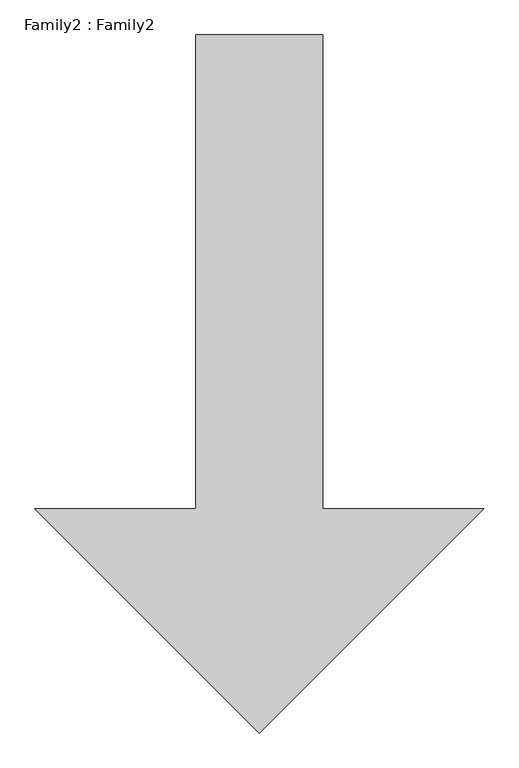
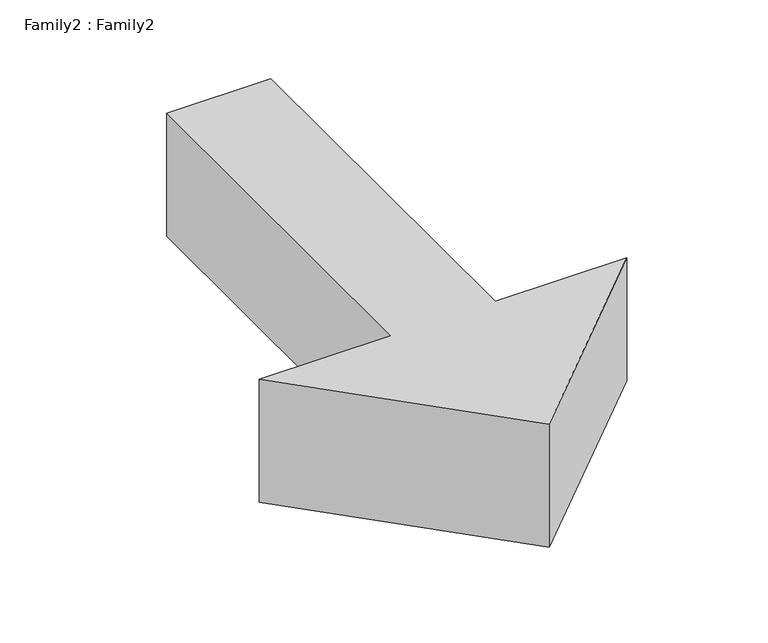
"""IFC4 building model written with IfcOpenShell, lengths in millimetres: proxy geometry, Family2 : Family2."""

import ifcopenshell
import ifcopenshell.guid

model = None  # the IFC model being written
_history = None  # IfcOwnerHistory: only IFC2X3 demands one
_inside = {}  # id of a spatial element -> (the spatial element, [elements in it])
_under = {}  # id of a project, library or spatial element -> (it, [spatial elements below it])
_declared = {}  # id of a project -> (the project, [libraries it declares])
_typed = {}  # id of a type object -> (the type object, [elements of that type])
_made_of = {}  # id of a material, layer set ... -> (it, [elements and type objects made of it])


def new_model(schema):
    """Start an empty IFC model of exactly this schema.

    Asked for "IFC4X3", IfcOpenShell would pick the latest addendum, in which some entities
    have other attributes; the version numbers below select the first issue.
    IFC2X3 requires an IfcOwnerHistory on every rooted entity: one is made here for all.
    """
    global model, _history
    if schema == "IFC4X3":
        model = ifcopenshell.file(schema_version=(4, 3, 0, 0))
    else:
        model = ifcopenshell.file(schema=schema)
    _inside.clear()
    _under.clear()
    _declared.clear()
    _typed.clear()
    _made_of.clear()
    _history = None
    if model.schema == "IFC2X3":
        org = make("IfcOrganization", Name="unknown")
        user = make(
            "IfcPersonAndOrganization",
            ThePerson=make("IfcPerson", FamilyName="unknown"),
            TheOrganization=org,
        )
        app = make(
            "IfcApplication",
            ApplicationDeveloper=org,
            Version="unknown",
            ApplicationFullName="unknown",
            ApplicationIdentifier="unknown",
        )
        _history = make(
            "IfcOwnerHistory",
            OwningUser=user,
            OwningApplication=app,
            ChangeAction="ADDED",
            CreationDate=0,
        )
    return model


def make(cls, **values):
    """One entity of the class cls with the attributes given. An attribute that is None is left unset."""
    return model.create_entity(
        cls, **{name: value for name, value in values.items() if value is not None}
    )


def rooted(cls, **values):
    """An entity with a GlobalId (a new one), such as an element, a storey or a relation."""
    return make(cls, GlobalId=ifcopenshell.guid.new(), OwnerHistory=_history, **values)


def si_unit(unit_type, name, prefix=None):
    """IfcSIUnit, for example si_unit("LENGTHUNIT", "METRE", prefix="MILLI")."""
    return make("IfcSIUnit", UnitType=unit_type, Prefix=prefix, Name=name)


def assignment(units):
    """IfcUnitAssignment: the units of a project."""
    return None if units is None else make("IfcUnitAssignment", Units=units)


def point(xyz):
    """IfcCartesianPoint."""
    return None if xyz is None else make("IfcCartesianPoint", Coordinates=xyz)


def direction(xyz):
    """IfcDirection."""
    return None if xyz is None else make("IfcDirection", DirectionRatios=xyz)


def frame(location, z_axis=None, x_axis=None):
    """IfcAxis2Placement3D, a coordinate frame: its origin and axes. An axis left out is left unset."""
    return make(
        "IfcAxis2Placement3D",
        Location=point(location),
        Axis=direction(z_axis),
        RefDirection=direction(x_axis),
    )


def origin():
    """The frame at (0, 0, 0) with its axes left unset."""
    return frame((0.0, 0.0, 0.0))


def origin_with_axes():
    """The frame at (0, 0, 0) with the z axis (0, 0, 1) and the x axis (1, 0, 0) written out."""
    return frame((0.0, 0.0, 0.0), z_axis=(0.0, 0.0, 1.0), x_axis=(1.0, 0.0, 0.0))


def place(relative_to, where):
    """IfcLocalPlacement: puts the frame where relative to a parent placement (None: the world)."""
    return make(
        "IfcLocalPlacement", PlacementRelTo=relative_to, RelativePlacement=where
    )


def context(
    kind, dimensions, precision=None, world=None, true_north=None, identifier=None
):
    """IfcGeometricRepresentationContext, for example the 3D "Model" context."""
    return make(
        "IfcGeometricRepresentationContext",
        ContextIdentifier=identifier,
        ContextType=kind,
        CoordinateSpaceDimension=dimensions,
        Precision=precision,
        WorldCoordinateSystem=world,
        TrueNorth=true_north,
    )


def project(units=None, contexts=None):
    """IfcProject with its units and contexts."""
    return rooted(
        "IfcProject",
        Name="project",
        RepresentationContexts=contexts,
        UnitsInContext=assignment(units),
    )


def spatial(cls, under=None, at=None, **own):
    """A site, building, storey or space (cls), placed at a placement, below another one or the project."""
    s = rooted(cls, ObjectPlacement=at, **own)
    if under is not None:
        _under.setdefault(under.id(), (under, []))[1].append(s)
    return s


def polyline(points):
    """IfcPolyline through the points."""
    return make("IfcPolyline", Points=[point(p) for p in points])


def outline(outer, holes=None, kind="AREA"):
    """IfcArbitraryClosedProfileDef: a profile drawn as a closed curve; with holes, ...WithVoids."""
    if holes is None:
        return make("IfcArbitraryClosedProfileDef", ProfileType=kind, OuterCurve=outer)
    return make(
        "IfcArbitraryProfileDefWithVoids",
        ProfileType=kind,
        OuterCurve=outer,
        InnerCurves=holes,
    )


def extrude(swept, where, along, depth):
    """IfcExtrudedAreaSolid: the profile swept, set in the frame where, extruded along a direction by depth."""
    return make(
        "IfcExtrudedAreaSolid",
        SweptArea=swept,
        Position=where,
        ExtrudedDirection=direction(along),
        Depth=depth,
    )


def shape(context_of_items, identifier, shape_type, items):
    """IfcShapeRepresentation: the items that make up one representation, for example the "Body"."""
    return make(
        "IfcShapeRepresentation",
        ContextOfItems=context_of_items,
        RepresentationIdentifier=identifier,
        RepresentationType=shape_type,
        Items=items,
    )


def source(mapping_origin, context_of_items, identifier, shape_type, items):
    """IfcRepresentationMap: a shape defined once, which mapped items show again and again."""
    return make(
        "IfcRepresentationMap",
        MappingOrigin=mapping_origin,
        MappedRepresentation=shape(context_of_items, identifier, shape_type, items),
    )


def transform(
    local_origin,
    x_axis=None,
    y_axis=None,
    z_axis=None,
    scale=None,
    scale2=None,
    scale3=None,
    uniform=True,
):
    """IfcCartesianTransformationOperator3D, or its non-uniform kind. x_axis, y_axis, z_axis: its Axis1, 2, 3."""
    if uniform:
        return make(
            "IfcCartesianTransformationOperator3D",
            Axis1=direction(x_axis),
            Axis2=direction(y_axis),
            LocalOrigin=point(local_origin),
            Scale=scale,
            Axis3=direction(z_axis),
        )
    return make(
        "IfcCartesianTransformationOperator3DnonUniform",
        Axis1=direction(x_axis),
        Axis2=direction(y_axis),
        LocalOrigin=point(local_origin),
        Scale=scale,
        Axis3=direction(z_axis),
        Scale2=scale2,
        Scale3=scale3,
    )


def mapped(mapping_source, mapping_target):
    """IfcMappedItem: shows the shape of a source again, moved by a transform."""
    return make(
        "IfcMappedItem", MappingSource=mapping_source, MappingTarget=mapping_target
    )


def made_of(thing, what):
    """Note that an element or type object is made of a material, layer set ...; save() writes the relation."""
    if what is not None:
        _made_of.setdefault(what.id(), (what, []))[1].append(thing)
    return thing


def element(
    cls,
    number,
    at=None,
    inside=None,
    cuts=None,
    type_object=None,
    material=None,
    context=None,
    identifier="Body",
    shape_type=None,
    held_by="IfcProductDefinitionShape",
    body=None,
    shapes=None,
    **own,
):
    """One element of the class cls, such as IfcWall. Its Tag is "e" and its number.

    at: its placement. inside: the storey or other place that contains it. cuts: it is an
    opening in that element (IfcRelVoidsElement). A single representation is given by context,
    identifier, shape_type and body (its items); several are given by shapes. held_by: the class
    of the entity that holds the representations. save() writes the other relations.
    """
    e = rooted(cls, Tag="e%d" % number, ObjectPlacement=at, **own)
    if body is not None:
        shapes = [shape(context, identifier, shape_type, body)]
    if shapes is not None:
        e.Representation = make(held_by, Representations=shapes)
    if inside is not None:
        _inside.setdefault(inside.id(), (inside, []))[1].append(e)
    if cuts is not None:
        rooted(
            "IfcRelVoidsElement", RelatingBuildingElement=cuts, RelatedOpeningElement=e
        )
    if type_object is not None:
        _typed.setdefault(type_object.id(), (type_object, []))[1].append(e)
    return made_of(e, material)


def aggregate(whole, parts):
    """IfcRelAggregates: a whole, such as a stair, and the parts it consists of."""
    return rooted("IfcRelAggregates", RelatingObject=whole, RelatedObjects=parts)


def save(model, path):
    """Write the relations noted so far, then the file.

    IfcRelAggregates (storeys below a building ...), IfcRelContainedInSpatialStructure (elements
    in a storey), IfcRelDefinesByType, IfcRelAssociatesMaterial and IfcRelDeclares: one each for
    every whole, place, type object, material and project.
    """
    for whole, parts in _under.values():
        aggregate(whole, parts)
    for where, things in _inside.values():
        rooted(
            "IfcRelContainedInSpatialStructure",
            RelatedElements=things,
            RelatingStructure=where,
        )
    for kind, things in _typed.values():
        rooted("IfcRelDefinesByType", RelatedObjects=things, RelatingType=kind)
    for what, things in _made_of.values():
        rooted("IfcRelAssociatesMaterial", RelatedObjects=things, RelatingMaterial=what)
    for by, libraries in _declared.values():
        rooted("IfcRelDeclares", RelatingContext=by, RelatedDefinitions=libraries)
    model.write(path)


def family2_family2_a2b18f72(model_context):
    return source(origin(), model_context, "Body", "SweptSolid", [
        extrude(outline(polyline([(100.0, 0.0), (100.0, -746.4466094), (353.5533906, -746.4466094), (0.0, -1100.0), (-353.5533906, -746.4466094), (-100.0, -746.4466094), (-100.0, 0.0), (100.0, 0.0)])), origin_with_axes(), (0.0, 0.0, 1.0), 250.0),
    ])


if __name__ == "__main__":
    model = new_model("IFC4")
    model_context = context("Model", 3, world=origin())
    ifc_project = project(units=[si_unit("LENGTHUNIT", "METRE", prefix="MILLI")], contexts=[model_context])
    site = spatial("IfcSite", under=ifc_project)
    building = spatial("IfcBuilding", under=site)
    placement = place(None, origin())
    family2_family2_shape = family2_family2_a2b18f72(model_context)
    element("IfcBuildingElementProxy", 1, Name="Family2 : Family2", ObjectType="Family2 : Family2", at=placement, inside=building, context=model_context, shape_type="MappedRepresentation", body=[
        mapped(family2_family2_shape, transform((0.0, 0.0, 0.0), x_axis=(1.0, 0.0, 0.0), y_axis=(0.0, 1.0, 0.0), z_axis=(0.0, 0.0, 1.0))),
    ])
    save(model, "model.ifc")
